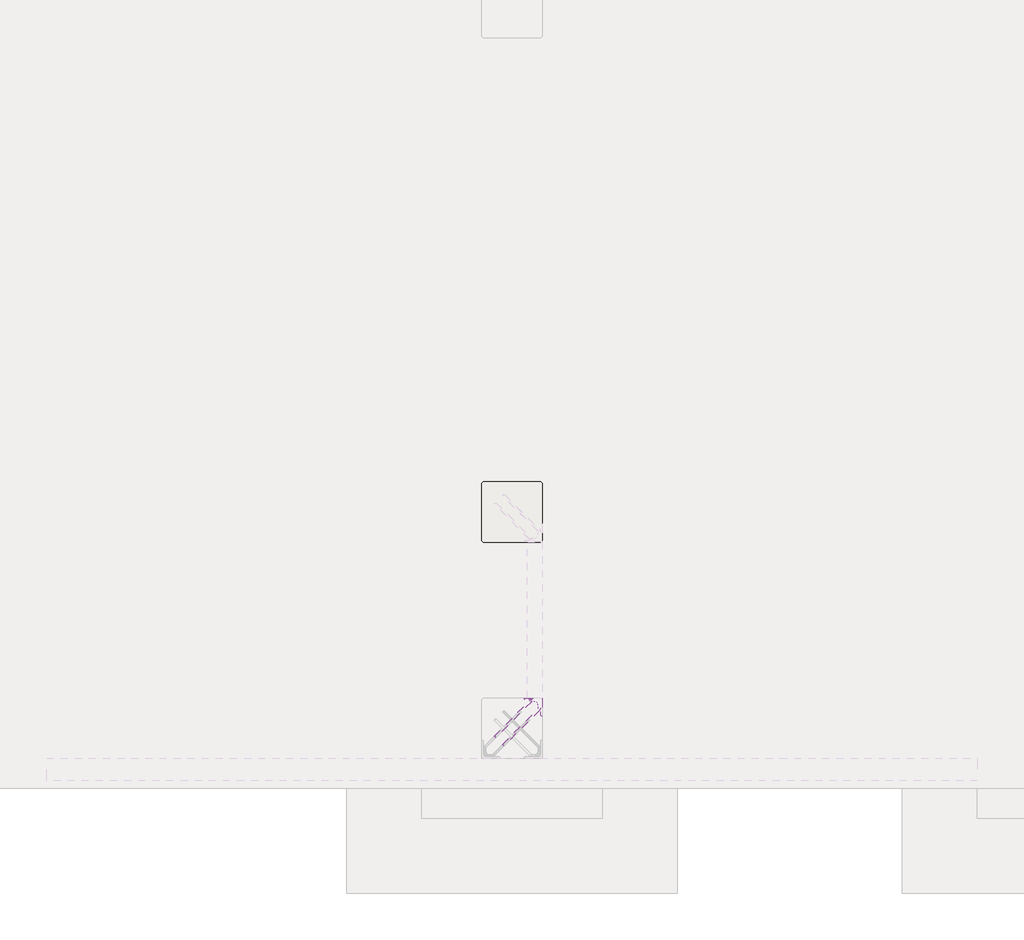
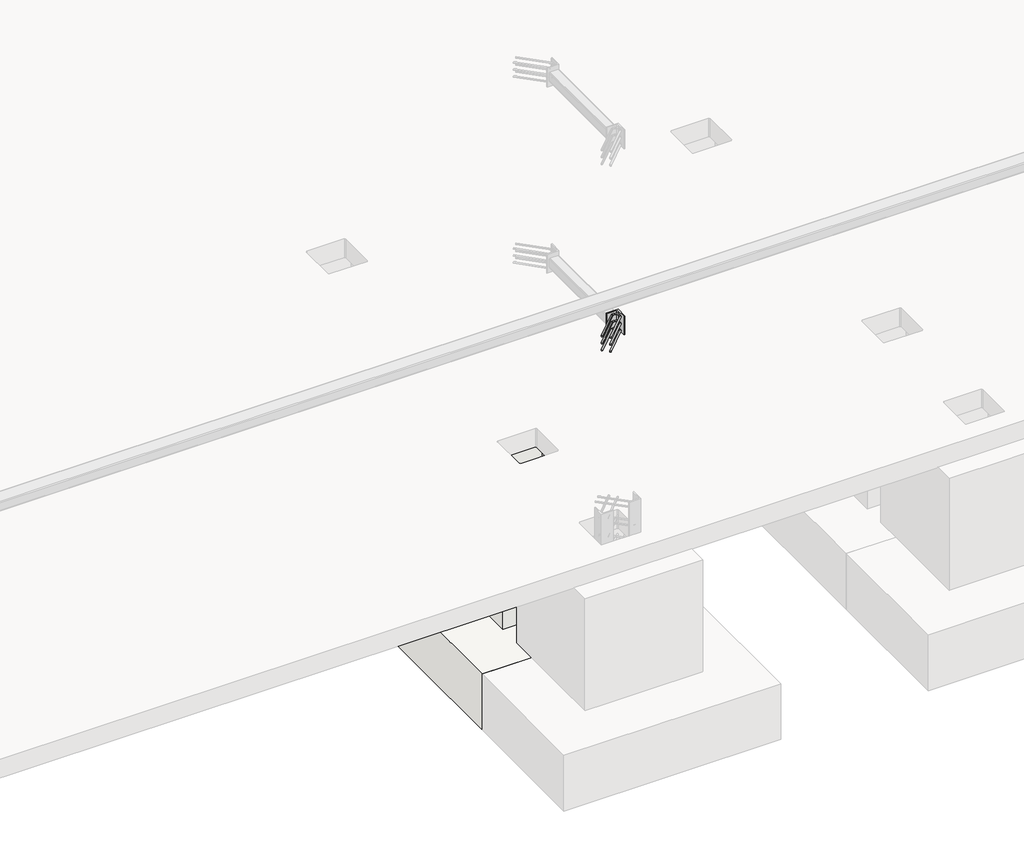
# One storey, part 25 of 65: 1 fastener, 1 slab.
"""IFC4 building model written with IfcOpenShell, lengths in millimetres."""

from ifc_helpers import new_model, si_unit, point, frame, frame_2d, origin, place, context, project, spatial, polyline, circle_curve, ellipse_curve, trimmed, segment, composite_curve, outline, extrude, faceted_brep, element, save
from ifc_brep_helpers import plane_surface, cylinder_surface, revolved_surface, advanced_brep

model = new_model("IFC4")

# Units and contexts
model_context = context("Model", 3, world=origin())
ifc_project = project(units=[si_unit("LENGTHUNIT", "METRE", prefix="MILLI")], contexts=[model_context])

# Site, building, storey
site = spatial("IfcSite", under=ifc_project)
building = spatial("IfcBuilding", under=site)
storey = spatial("IfcBuildingStorey", under=building, Elevation=0.0)

# Fastener
placement = place(None, origin())
element("IfcFastener", 1, at=placement, inside=storey, context=model_context, shape_type="SolidModel", body=[
    extrude(outline(composite_curve([segment(polyline([(53350.0, 10200.0), (53350.0, 10080.0), (53346.5, 10080.0)]), True, "CONTINUOUS"), segment(trimmed(circle_curve(frame_2d((53346.5, 10086.5)), 6.5), [point((53346.5, 10080.0))], [point((53340.0, 10086.5))], False, "CARTESIAN"), True, "CONTINUOUS"), segment(polyline([(53340.0, 10086.5), (53340.0, 10177.0)]), True, "CONTINUOUS"), segment(trimmed(circle_curve(frame_2d((53327.0, 10177.0)), 13.0), [point((53340.0, 10177.0))], [point((53327.0, 10190.0))], True, "CARTESIAN"), True, "CONTINUOUS"), segment(polyline([(53327.0, 10190.0), (53236.5, 10190.0)]), True, "CONTINUOUS"), segment(trimmed(circle_curve(frame_2d((53236.5, 10196.5)), 6.5), [point((53236.5, 10190.0))], [point((53230.0, 10196.5))], False, "CARTESIAN"), True, "CONTINUOUS"), segment(polyline([(53230.0, 10196.5), (53230.0, 10200.0), (53350.0, 10200.0)]), True, "CONTINUOUS")], self_intersect=False)), frame((0.0, 0.0, 1950.0), z_axis=(0.0, 0.0, 1.0), x_axis=(1.0, 0.0, 0.0)), (0.0, 0.0, 1.0), 200.0),
    advanced_brep(
    [(53097.4623741, 9882.5628791, 1975.0), (53087.5628791, 9892.4623741, 1975.0), (53032.5628791, 9947.4623741, 1975.0), (53042.4623741, 9937.5628791, 1975.0), (53303.0, 10176.0, 1975.0), (53303.0, 10190.0, 1975.0), (53284.2132034, 10190.0, 1975.0), (53284.2132034, 10176.0, 1975.0), (53326.0, 10153.0, 1975.0), (53340.0, 10153.0, 1975.0), (53326.0, 10134.2132034, 1975.0), (53340.0, 10134.2132034, 1975.0), (53333.5563492, 10118.6568542, 1975.0), (53323.6568543, 10128.5563492, 1975.0), (53278.5563492, 10173.6568542, 1975.0), (53268.6568543, 10183.5563492, 1975.0)],
    [
        (0, 1, circle_curve(frame((53092.5126266, 9887.5126266, 1975.0), z_axis=(-0.7071067811865505, -0.7071067811865446, 0.0), x_axis=(-0.7071067811865447, 0.7071067811865506, 0.0)), 7.0)),
        (1, 0, circle_curve(frame((53092.5126266, 9887.5126266, 1975.0), z_axis=(-0.7071067811865505, -0.7071067811865446, 0.0), x_axis=(-0.7071067811865447, 0.7071067811865506, 0.0)), 7.0)),
        (2, 3, circle_curve(frame((53037.5126266, 9942.5126266, 1975.0), z_axis=(-0.7071067811865503, -0.7071067811865447, 0.0), x_axis=(0.7071067811865447, -0.7071067811865503, 0.0)), 7.0)),
        (3, 2, circle_curve(frame((53037.5126266, 9942.5126266, 1975.0), z_axis=(-0.7071067811865503, -0.7071067811865447, 0.0), x_axis=(0.7071067811865447, -0.7071067811865503, 0.0)), 7.0)),
        (4, 5, circle_curve(frame((53303.0, 10183.0, 1975.0), z_axis=(-1.0, 0.0, 0.0), x_axis=(0.0, -1.0, 0.0)), 7.0)),
        (5, 6),
        (6, 7, circle_curve(frame((53284.2132034, 10183.0, 1975.0), z_axis=(1.0, 0.0, 0.0), x_axis=(0.0, -1.0, 0.0)), 7.0)),
        (7, 4),
        (5, 4, circle_curve(frame((53303.0, 10183.0, 1975.0), z_axis=(-1.0, 0.0, 0.0), x_axis=(0.0, -1.0, 0.0)), 7.0)),
        (7, 6, circle_curve(frame((53284.2132034, 10183.0, 1975.0), z_axis=(1.0, 0.0, 0.0), x_axis=(0.0, -1.0, 0.0)), 7.0)),
        (4, 8, circle_curve(frame((53303.0, 10153.0, 1975.0), z_axis=(0.0, 0.0, -1.0), x_axis=(1.0, 0.0, 0.0)), 23.0)),
        (8, 9, circle_curve(frame((53333.0, 10153.0, 1975.0), z_axis=(0.0, 1.0, 0.0), x_axis=(-1.0, 0.0, 0.0)), 7.0)),
        (9, 5, circle_curve(frame((53303.0, 10153.0, 1975.0), z_axis=(0.0, 0.0, 1.0), x_axis=(1.0, 0.0, 0.0)), 37.0)),
        (9, 8, circle_curve(frame((53333.0, 10153.0, 1975.0), z_axis=(0.0, 1.0, 0.0), x_axis=(-1.0, 0.0, 0.0)), 7.0)),
        (10, 11, circle_curve(frame((53333.0, 10134.2132034, 1975.0), z_axis=(0.0, 1.0, 0.0), x_axis=(-1.0, 0.0, 0.0)), 7.0)),
        (11, 9),
        (8, 10),
        (11, 10, circle_curve(frame((53333.0, 10134.2132034, 1975.0), z_axis=(0.0, 1.0, 0.0), x_axis=(-1.0, 0.0, 0.0)), 7.0)),
        (0, 12),
        (12, 13, circle_curve(frame((53328.6066017, 10123.6066017, 1975.0), z_axis=(-0.7071067811865505, -0.7071067811865446, 0.0), x_axis=(-0.7071067811865447, 0.7071067811865506, 0.0)), 7.0)),
        (13, 1),
        (13, 12, circle_curve(frame((53328.6066017, 10123.6066017, 1975.0), z_axis=(-0.7071067811865505, -0.7071067811865446, 0.0), x_axis=(-0.7071067811865447, 0.7071067811865506, 0.0)), 7.0)),
        (10, 13, circle_curve(frame((53318.0, 10134.2132034, 1975.0), z_axis=(0.0, 0.0, -1.0), x_axis=(0.7071067811865445, -0.7071067811865506, 0.0)), 8.0)),
        (12, 11, circle_curve(frame((53318.0, 10134.2132034, 1975.0), z_axis=(0.0, 0.0, 1.0), x_axis=(0.7071067811865445, -0.7071067811865506, 0.0)), 22.0)),
        (14, 7, circle_curve(frame((53284.2132034, 10168.0, 1975.0), z_axis=(0.0, 0.0, -1.0), x_axis=(0.0, 1.0, 0.0)), 8.0)),
        (6, 15, circle_curve(frame((53284.2132034, 10168.0, 1975.0), z_axis=(0.0, 0.0, 1.0), x_axis=(0.0, 1.0, 0.0)), 22.0)),
        (15, 14, circle_curve(frame((53273.6066017, 10178.6066017, 1975.0), z_axis=(0.7071067811865501, 0.7071067811865449, 0.0), x_axis=(0.7071067811865449, -0.7071067811865501, 0.0)), 7.0)),
        (14, 15, circle_curve(frame((53273.6066017, 10178.6066017, 1975.0), z_axis=(0.7071067811865496, 0.7071067811865455, 0.0), x_axis=(0.7071067811865455, -0.7071067811865496, 0.0)), 7.0)),
        (15, 2),
        (3, 14),
    ],
    [
        plane_surface(frame((53092.5126266, 9887.5126266, 1975.0), z_axis=(-0.7071067811865505, -0.7071067811865446, 0.0), x_axis=(0.0, 0.0, 1.0))),
        plane_surface(frame((53037.5126266, 9942.5126266, 1975.0), z_axis=(-0.7071067811865503, -0.7071067811865447, 0.0), x_axis=(0.0, 0.0, 1.0))),
        cylinder_surface(frame((53303.0, 10183.0, 1975.0), z_axis=(1.0, 0.0, 0.0), x_axis=(0.0, -1.0, 0.0)), 7.0),
        revolved_surface(trimmed(ellipse_curve(frame((53333.0, 10153.0, 1975.0), z_axis=(0.0, -1.0, 0.0), x_axis=(-1.0, 0.0, 0.0)), 7.0, 7.0), [point((53340.0, 10153.0, 1975.0))], [point((53326.0, 10153.0, 1975.0))], True, "CARTESIAN"), (53303.0, 10153.0, 1975.0), (0.0, 0.0, 1.0)),
        revolved_surface(trimmed(ellipse_curve(frame((53333.0, 10153.0, 1975.0), z_axis=(0.0, -1.0, 0.0), x_axis=(-1.0, 0.0, 0.0)), 7.0, 7.0), [point((53326.0, 10153.0, 1975.0))], [point((53340.0, 10153.0, 1975.0))], True, "CARTESIAN"), (53303.0, 10153.0, 1975.0), (0.0, 0.0, 1.0)),
        cylinder_surface(frame((53333.0, 10134.2132034, 1975.0), z_axis=(0.0, -1.0, 0.0), x_axis=(-1.0, 0.0, 0.0)), 7.0),
        cylinder_surface(frame((53092.5126266, 9887.5126266, 1975.0), z_axis=(-0.7071067811865506, -0.7071067811865447, 0.0), x_axis=(-0.7071067811865447, 0.7071067811865506, 0.0)), 7.0),
        revolved_surface(trimmed(ellipse_curve(frame((53328.6066017, 10123.6066017, 1975.0), z_axis=(-0.7071067811865506, -0.7071067811865445, 0.0), x_axis=(-0.7071067811865445, 0.7071067811865506, 0.0)), 7.0, 7.0), [point((53333.5563492, 10118.6568542, 1975.0))], [point((53323.6568543, 10128.5563492, 1975.0))], True, "CARTESIAN"), (53318.0, 10134.2132034, 1975.0), (0.0, 0.0, 1.0)),
        revolved_surface(trimmed(ellipse_curve(frame((53328.6066017, 10123.6066017, 1975.0), z_axis=(-0.7071067811865506, -0.7071067811865445, 0.0), x_axis=(-0.7071067811865445, 0.7071067811865506, 0.0)), 7.0, 7.0), [point((53323.6568543, 10128.5563492, 1975.0))], [point((53333.5563492, 10118.6568542, 1975.0))], True, "CARTESIAN"), (53318.0, 10134.2132034, 1975.0), (0.0, 0.0, 1.0)),
        revolved_surface(trimmed(ellipse_curve(frame((53284.2132034, 10183.0, 1975.0), z_axis=(1.0, 0.0, 0.0), x_axis=(0.0, -1.0, 0.0)), 7.0, 7.0), [point((53284.2132034, 10190.0, 1975.0))], [point((53284.2132034, 10176.0, 1975.0))], True, "CARTESIAN"), (53284.2132034, 10168.0, 1975.0), (0.0, 0.0, 1.0)),
        revolved_surface(trimmed(ellipse_curve(frame((53284.2132034, 10183.0, 1975.0), z_axis=(1.0, 0.0, 0.0), x_axis=(0.0, -1.0, 0.0)), 7.0, 7.0), [point((53284.2132034, 10176.0, 1975.0))], [point((53284.2132034, 10190.0, 1975.0))], True, "CARTESIAN"), (53284.2132034, 10168.0, 1975.0), (0.0, 0.0, 1.0)),
        cylinder_surface(frame((53273.6066017, 10178.6066017, 1975.0), z_axis=(0.7071067811865503, 0.7071067811865447, 0.0), x_axis=(0.7071067811865447, -0.7071067811865503, 0.0)), 7.0),
    ],
    [
        (0, [[1, 2]]),
        (1, [[3, 4]]),
        (2, [[5, 6, 7, 8]]),
        (2, [[9, -8, 10, -6]]),
        (3, [[11, 12, 13, -5]]),
        (4, [[-13, 14, -11, -9]]),
        (5, [[15, 16, -12, 17]]),
        (5, [[18, -17, -14, -16]]),
        (6, [[-1, 19, 20, 21]]),
        (6, [[-2, -21, 22, -19]]),
        (7, [[23, -20, 24, -15]]),
        (8, [[-24, -22, -23, -18]]),
        (9, [[25, -7, 26, 27]]),
        (10, [[-26, -10, -25, 28]]),
        (11, [[-27, 29, -4, 30]]),
        (11, [[-28, -30, -3, -29]]),
    ],
),
    advanced_brep(
    [(53087.5628791, 9892.4623741, 2125.0), (53097.4623741, 9882.5628791, 2125.0), (53042.4623741, 9937.5628791, 2125.0), (53032.5628791, 9947.4623741, 2125.0), (53303.0, 10190.0, 2125.0), (53303.0, 10176.0, 2125.0), (53284.2132034, 10176.0, 2125.0), (53284.2132034, 10190.0, 2125.0), (53340.0, 10153.0, 2125.0), (53326.0, 10153.0, 2125.0), (53340.0, 10134.2132034, 2125.0), (53326.0, 10134.2132034, 2125.0), (53323.6568543, 10128.5563492, 2125.0), (53333.5563492, 10118.6568542, 2125.0), (53268.6568543, 10183.5563492, 2125.0), (53278.5563492, 10173.6568542, 2125.0)],
    [
        (0, 1, circle_curve(frame((53092.5126266, 9887.5126266, 2125.0), z_axis=(-0.7071067811865505, -0.7071067811865446, 0.0), x_axis=(0.7071067811865447, -0.7071067811865506, 0.0)), 7.0)),
        (1, 0, circle_curve(frame((53092.5126266, 9887.5126266, 2125.0), z_axis=(-0.7071067811865505, -0.7071067811865446, 0.0), x_axis=(0.7071067811865447, -0.7071067811865506, 0.0)), 7.0)),
        (2, 3, circle_curve(frame((53037.5126266, 9942.5126266, 2125.0), z_axis=(-0.7071067811865505, -0.7071067811865447, 0.0), x_axis=(-0.7071067811865447, 0.7071067811865505, 0.0)), 7.0)),
        (3, 2, circle_curve(frame((53037.5126266, 9942.5126266, 2125.0), z_axis=(-0.7071067811865505, -0.7071067811865447, 0.0), x_axis=(-0.7071067811865447, 0.7071067811865505, 0.0)), 7.0)),
        (4, 5, circle_curve(frame((53303.0, 10183.0, 2125.0), z_axis=(-1.0, 0.0, 0.0), x_axis=(0.0, 1.0, 0.0)), 7.0)),
        (5, 6),
        (6, 7, circle_curve(frame((53284.2132034, 10183.0, 2125.0), z_axis=(1.0, 0.0, 0.0), x_axis=(0.0, 1.0, 0.0)), 7.0)),
        (7, 4),
        (5, 4, circle_curve(frame((53303.0, 10183.0, 2125.0), z_axis=(-1.0, 0.0, 0.0), x_axis=(0.0, 1.0, 0.0)), 7.0)),
        (7, 6, circle_curve(frame((53284.2132034, 10183.0, 2125.0), z_axis=(1.0, 0.0, 0.0), x_axis=(0.0, 1.0, 0.0)), 7.0)),
        (4, 8, circle_curve(frame((53303.0, 10153.0, 2125.0), z_axis=(0.0, 0.0, -1.0), x_axis=(1.0, 0.0, 0.0)), 37.0)),
        (8, 9, circle_curve(frame((53333.0, 10153.0, 2125.0), z_axis=(0.0, 1.0, 0.0), x_axis=(1.0, 0.0, 0.0)), 7.0)),
        (9, 5, circle_curve(frame((53303.0, 10153.0, 2125.0), z_axis=(0.0, 0.0, 1.0), x_axis=(1.0, 0.0, 0.0)), 23.0)),
        (9, 8, circle_curve(frame((53333.0, 10153.0, 2125.0), z_axis=(0.0, 1.0, 0.0), x_axis=(1.0, 0.0, 0.0)), 7.0)),
        (10, 11, circle_curve(frame((53333.0, 10134.2132034, 2125.0), z_axis=(0.0, 1.0, 0.0), x_axis=(1.0, 0.0, 0.0)), 7.0)),
        (11, 9),
        (8, 10),
        (11, 10, circle_curve(frame((53333.0, 10134.2132034, 2125.0), z_axis=(0.0, 1.0, 0.0), x_axis=(1.0, 0.0, 0.0)), 7.0)),
        (0, 12),
        (12, 13, circle_curve(frame((53328.6066017, 10123.6066017, 2125.0), z_axis=(-0.7071067811865505, -0.7071067811865446, 0.0), x_axis=(0.7071067811865447, -0.7071067811865506, 0.0)), 7.0)),
        (13, 1),
        (13, 12, circle_curve(frame((53328.6066017, 10123.6066017, 2125.0), z_axis=(-0.7071067811865505, -0.7071067811865446, 0.0), x_axis=(0.7071067811865447, -0.7071067811865506, 0.0)), 7.0)),
        (10, 13, circle_curve(frame((53318.0, 10134.2132034, 2125.0), z_axis=(0.0, 0.0, -1.0), x_axis=(0.7071067811865445, -0.7071067811865506, 0.0)), 22.0)),
        (12, 11, circle_curve(frame((53318.0, 10134.2132034, 2125.0), z_axis=(0.0, 0.0, 1.0), x_axis=(0.7071067811865445, -0.7071067811865506, 0.0)), 8.0)),
        (14, 7, circle_curve(frame((53284.2132034, 10168.0, 2125.0), z_axis=(0.0, 0.0, -1.0), x_axis=(0.0, 1.0, 0.0)), 22.0)),
        (6, 15, circle_curve(frame((53284.2132034, 10168.0, 2125.0), z_axis=(0.0, 0.0, 1.0), x_axis=(0.0, 1.0, 0.0)), 8.0)),
        (15, 14, circle_curve(frame((53273.6066017, 10178.6066017, 2125.0), z_axis=(0.7071067811865488, 0.7071067811865462, 0.0), x_axis=(-0.7071067811865462, 0.7071067811865488, 0.0)), 7.0)),
        (14, 15, circle_curve(frame((53273.6066017, 10178.6066017, 2125.0), z_axis=(0.7071067811865496, 0.7071067811865455, 0.0), x_axis=(-0.7071067811865455, 0.7071067811865496, 0.0)), 7.0)),
        (15, 2),
        (3, 14),
    ],
    [
        plane_surface(frame((53092.5126266, 9887.5126266, 2125.0), z_axis=(-0.7071067811865505, -0.7071067811865446, 0.0), x_axis=(0.0, 0.0, -1.0))),
        plane_surface(frame((53037.5126266, 9942.5126266, 2125.0), z_axis=(-0.7071067811865505, -0.7071067811865447, 0.0), x_axis=(0.0, 0.0, -1.0))),
        cylinder_surface(frame((53303.0, 10183.0, 2125.0), z_axis=(1.0, 0.0, 0.0), x_axis=(0.0, 1.0, 0.0)), 7.0),
        revolved_surface(trimmed(ellipse_curve(frame((53333.0, 10153.0, 2125.0), z_axis=(0.0, -1.0, 0.0), x_axis=(1.0, 0.0, 0.0)), 7.0, 7.0), [point((53326.0, 10153.0, 2125.0))], [point((53340.0, 10153.0, 2125.0))], True, "CARTESIAN"), (53303.0, 10153.0, 2125.0), (0.0, 0.0, 1.0)),
        revolved_surface(trimmed(ellipse_curve(frame((53333.0, 10153.0, 2125.0), z_axis=(0.0, -1.0, 0.0), x_axis=(1.0, 0.0, 0.0)), 7.0, 7.0), [point((53340.0, 10153.0, 2125.0))], [point((53326.0, 10153.0, 2125.0))], True, "CARTESIAN"), (53303.0, 10153.0, 2125.0), (0.0, 0.0, 1.0)),
        cylinder_surface(frame((53333.0, 10134.2132034, 2125.0), z_axis=(0.0, -1.0, 0.0), x_axis=(1.0, 0.0, 0.0)), 7.0),
        cylinder_surface(frame((53092.5126266, 9887.5126266, 2125.0), z_axis=(-0.7071067811865506, -0.7071067811865447, 0.0), x_axis=(0.7071067811865447, -0.7071067811865506, 0.0)), 7.0),
        revolved_surface(trimmed(ellipse_curve(frame((53328.6066017, 10123.6066017, 2125.0), z_axis=(-0.7071067811865506, -0.7071067811865445, 0.0), x_axis=(0.7071067811865445, -0.7071067811865506, 0.0)), 7.0, 7.0), [point((53323.6568543, 10128.5563492, 2125.0))], [point((53333.5563492, 10118.6568542, 2125.0))], True, "CARTESIAN"), (53318.0, 10134.2132034, 2125.0), (0.0, 0.0, 1.0)),
        revolved_surface(trimmed(ellipse_curve(frame((53328.6066017, 10123.6066017, 2125.0), z_axis=(-0.7071067811865506, -0.7071067811865445, 0.0), x_axis=(0.7071067811865445, -0.7071067811865506, 0.0)), 7.0, 7.0), [point((53333.5563492, 10118.6568542, 2125.0))], [point((53323.6568543, 10128.5563492, 2125.0))], True, "CARTESIAN"), (53318.0, 10134.2132034, 2125.0), (0.0, 0.0, 1.0)),
        revolved_surface(trimmed(ellipse_curve(frame((53284.2132034, 10183.0, 2125.0), z_axis=(1.0, 0.0, 0.0), x_axis=(0.0, 1.0, 0.0)), 7.0, 7.0), [point((53284.2132034, 10176.0, 2125.0))], [point((53284.2132034, 10190.0, 2125.0))], True, "CARTESIAN"), (53284.2132034, 10168.0, 2125.0), (0.0, 0.0, 1.0)),
        revolved_surface(trimmed(ellipse_curve(frame((53284.2132034, 10183.0, 2125.0), z_axis=(1.0, 0.0, 0.0), x_axis=(0.0, 1.0, 0.0)), 7.0, 7.0), [point((53284.2132034, 10190.0, 2125.0))], [point((53284.2132034, 10176.0, 2125.0))], True, "CARTESIAN"), (53284.2132034, 10168.0, 2125.0), (0.0, 0.0, 1.0)),
        cylinder_surface(frame((53273.6066017, 10178.6066017, 2125.0), z_axis=(0.7071067811865505, 0.7071067811865447, 0.0), x_axis=(-0.7071067811865447, 0.7071067811865505, 0.0)), 7.0),
    ],
    [
        (0, [[1, 2]]),
        (1, [[3, 4]]),
        (2, [[5, 6, 7, 8]]),
        (2, [[9, -8, 10, -6]]),
        (3, [[11, 12, 13, -5]]),
        (4, [[-13, 14, -11, -9]]),
        (5, [[15, 16, -12, 17]]),
        (5, [[18, -17, -14, -16]]),
        (6, [[-1, 19, 20, 21]]),
        (6, [[-2, -21, 22, -19]]),
        (7, [[23, -20, 24, -15]]),
        (8, [[-24, -22, -23, -18]]),
        (9, [[25, -7, 26, 27]]),
        (10, [[-26, -10, -25, 28]]),
        (11, [[-27, 29, -4, 30]]),
        (11, [[-28, -30, -3, -29]]),
    ],
),
    advanced_brep(
    [(53087.5628791, 9892.4623741, 2050.0), (53097.4623741, 9882.5628791, 2050.0), (53042.4623741, 9937.5628791, 2050.0), (53032.5628791, 9947.4623741, 2050.0), (53303.0, 10190.0, 2050.0), (53303.0, 10176.0, 2050.0), (53284.2132034, 10176.0, 2050.0), (53284.2132034, 10190.0, 2050.0), (53340.0, 10153.0, 2050.0), (53326.0, 10153.0, 2050.0), (53340.0, 10134.2132034, 2050.0), (53326.0, 10134.2132034, 2050.0), (53323.6568543, 10128.5563492, 2050.0), (53333.5563492, 10118.6568542, 2050.0), (53268.6568543, 10183.5563492, 2050.0), (53278.5563492, 10173.6568542, 2050.0)],
    [
        (0, 1, circle_curve(frame((53092.5126266, 9887.5126266, 2050.0), z_axis=(-0.7071067811865505, -0.7071067811865446, 0.0), x_axis=(0.7071067811865446, -0.7071067811865505, 0.0)), 7.0)),
        (1, 0, circle_curve(frame((53092.5126266, 9887.5126266, 2050.0), z_axis=(-0.7071067811865505, -0.7071067811865446, 0.0), x_axis=(0.7071067811865446, -0.7071067811865505, 0.0)), 7.0)),
        (2, 3, circle_curve(frame((53037.5126266, 9942.5126266, 2050.0), z_axis=(-0.7071067811865505, -0.7071067811865447, 0.0), x_axis=(-0.7071067811865447, 0.7071067811865505, 0.0)), 7.0)),
        (3, 2, circle_curve(frame((53037.5126266, 9942.5126266, 2050.0), z_axis=(-0.7071067811865505, -0.7071067811865447, 0.0), x_axis=(-0.7071067811865447, 0.7071067811865505, 0.0)), 7.0)),
        (4, 5, circle_curve(frame((53303.0, 10183.0, 2050.0), z_axis=(-1.0, 0.0, 0.0), x_axis=(0.0, 1.0, 0.0)), 7.0)),
        (5, 6),
        (6, 7, circle_curve(frame((53284.2132034, 10183.0, 2050.0), z_axis=(1.0, 0.0, 0.0), x_axis=(0.0, 1.0, 0.0)), 7.0)),
        (7, 4),
        (5, 4, circle_curve(frame((53303.0, 10183.0, 2050.0), z_axis=(-1.0, 0.0, 0.0), x_axis=(0.0, 1.0, 0.0)), 7.0)),
        (7, 6, circle_curve(frame((53284.2132034, 10183.0, 2050.0), z_axis=(1.0, 0.0, 0.0), x_axis=(0.0, 1.0, 0.0)), 7.0)),
        (4, 8, circle_curve(frame((53303.0, 10153.0, 2050.0), z_axis=(0.0, 0.0, -1.0), x_axis=(1.0, 0.0, 0.0)), 37.0)),
        (8, 9, circle_curve(frame((53333.0, 10153.0, 2050.0), z_axis=(0.0, 1.0, 0.0), x_axis=(1.0, 0.0, 0.0)), 7.0)),
        (9, 5, circle_curve(frame((53303.0, 10153.0, 2050.0), z_axis=(0.0, 0.0, 1.0), x_axis=(1.0, 0.0, 0.0)), 23.0)),
        (9, 8, circle_curve(frame((53333.0, 10153.0, 2050.0), z_axis=(0.0, 1.0, 0.0), x_axis=(1.0, 0.0, 0.0)), 7.0)),
        (10, 11, circle_curve(frame((53333.0, 10134.2132034, 2050.0), z_axis=(0.0, 1.0, 0.0), x_axis=(1.0, 0.0, 0.0)), 7.0)),
        (11, 9),
        (8, 10),
        (11, 10, circle_curve(frame((53333.0, 10134.2132034, 2050.0), z_axis=(0.0, 1.0, 0.0), x_axis=(1.0, 0.0, 0.0)), 7.0)),
        (0, 12),
        (12, 13, circle_curve(frame((53328.6066017, 10123.6066017, 2050.0), z_axis=(-0.7071067811865505, -0.7071067811865446, 0.0), x_axis=(0.7071067811865446, -0.7071067811865505, 0.0)), 7.0)),
        (13, 1),
        (13, 12, circle_curve(frame((53328.6066017, 10123.6066017, 2050.0), z_axis=(-0.7071067811865505, -0.7071067811865446, 0.0), x_axis=(0.7071067811865446, -0.7071067811865505, 0.0)), 7.0)),
        (10, 13, circle_curve(frame((53318.0, 10134.2132034, 2050.0), z_axis=(0.0, 0.0, -1.0), x_axis=(0.7071067811865445, -0.7071067811865506, 0.0)), 22.0)),
        (12, 11, circle_curve(frame((53318.0, 10134.2132034, 2050.0), z_axis=(0.0, 0.0, 1.0), x_axis=(0.7071067811865445, -0.7071067811865506, 0.0)), 8.0)),
        (14, 7, circle_curve(frame((53284.2132034, 10168.0, 2050.0), z_axis=(0.0, 0.0, -1.0), x_axis=(0.0, 1.0, 0.0)), 22.0)),
        (6, 15, circle_curve(frame((53284.2132034, 10168.0, 2050.0), z_axis=(0.0, 0.0, 1.0), x_axis=(0.0, 1.0, 0.0)), 8.0)),
        (15, 14, circle_curve(frame((53273.6066017, 10178.6066017, 2050.0), z_axis=(0.7071067811865502, 0.7071067811865448, 0.0), x_axis=(-0.7071067811865448, 0.7071067811865502, 0.0)), 7.0)),
        (14, 15, circle_curve(frame((53273.6066017, 10178.6066017, 2050.0), z_axis=(0.7071067811865501, 0.7071067811865449, 0.0), x_axis=(-0.7071067811865449, 0.7071067811865501, 0.0)), 7.0)),
        (15, 2),
        (3, 14),
    ],
    [
        plane_surface(frame((53092.5126266, 9887.5126266, 2050.0), z_axis=(-0.7071067811865505, -0.7071067811865446, 0.0), x_axis=(0.0, 0.0, -1.0))),
        plane_surface(frame((53037.5126266, 9942.5126266, 2050.0), z_axis=(-0.7071067811865503, -0.7071067811865448, 0.0), x_axis=(0.0, 0.0, -1.0))),
        cylinder_surface(frame((53303.0, 10183.0, 2050.0), z_axis=(1.0, 0.0, 0.0), x_axis=(0.0, 1.0, 0.0)), 7.0),
        revolved_surface(trimmed(ellipse_curve(frame((53333.0, 10153.0, 2050.0), z_axis=(0.0, -1.0, 0.0), x_axis=(1.0, 0.0, 0.0)), 7.0, 7.0), [point((53326.0, 10153.0, 2050.0))], [point((53340.0, 10153.0, 2050.0))], True, "CARTESIAN"), (53303.0, 10153.0, 2050.0), (0.0, 0.0, 1.0)),
        revolved_surface(trimmed(ellipse_curve(frame((53333.0, 10153.0, 2050.0), z_axis=(0.0, -1.0, 0.0), x_axis=(1.0, 0.0, 0.0)), 7.0, 7.0), [point((53340.0, 10153.0, 2050.0))], [point((53326.0, 10153.0, 2050.0))], True, "CARTESIAN"), (53303.0, 10153.0, 2050.0), (0.0, 0.0, 1.0)),
        cylinder_surface(frame((53333.0, 10134.2132034, 2050.0), z_axis=(0.0, -1.0, 0.0), x_axis=(1.0, 0.0, 0.0)), 7.0),
        cylinder_surface(frame((53092.5126266, 9887.5126266, 2050.0), z_axis=(-0.7071067811865505, -0.7071067811865446, 0.0), x_axis=(0.7071067811865446, -0.7071067811865505, 0.0)), 7.0),
        revolved_surface(trimmed(ellipse_curve(frame((53328.6066017, 10123.6066017, 2050.0), z_axis=(-0.7071067811865507, -0.7071067811865444, 0.0), x_axis=(0.7071067811865444, -0.7071067811865507, 0.0)), 7.0, 7.0), [point((53323.6568543, 10128.5563492, 2050.0))], [point((53333.5563492, 10118.6568542, 2050.0))], True, "CARTESIAN"), (53318.0, 10134.2132034, 2050.0), (0.0, 0.0, 1.0)),
        revolved_surface(trimmed(ellipse_curve(frame((53328.6066017, 10123.6066017, 2050.0), z_axis=(-0.7071067811865507, -0.7071067811865444, 0.0), x_axis=(0.7071067811865444, -0.7071067811865507, 0.0)), 7.0, 7.0), [point((53333.5563492, 10118.6568542, 2050.0))], [point((53323.6568543, 10128.5563492, 2050.0))], True, "CARTESIAN"), (53318.0, 10134.2132034, 2050.0), (0.0, 0.0, 1.0)),
        revolved_surface(trimmed(ellipse_curve(frame((53284.2132034, 10183.0, 2050.0), z_axis=(1.0, 0.0, 0.0), x_axis=(0.0, 1.0, 0.0)), 7.0, 7.0), [point((53284.2132034, 10176.0, 2050.0))], [point((53284.2132034, 10190.0, 2050.0))], True, "CARTESIAN"), (53284.2132034, 10168.0, 2050.0), (0.0, 0.0, 1.0)),
        revolved_surface(trimmed(ellipse_curve(frame((53284.2132034, 10183.0, 2050.0), z_axis=(1.0, 0.0, 0.0), x_axis=(0.0, 1.0, 0.0)), 7.0, 7.0), [point((53284.2132034, 10190.0, 2050.0))], [point((53284.2132034, 10176.0, 2050.0))], True, "CARTESIAN"), (53284.2132034, 10168.0, 2050.0), (0.0, 0.0, 1.0)),
        cylinder_surface(frame((53273.6066017, 10178.6066017, 2050.0), z_axis=(0.7071067811865505, 0.7071067811865447, 0.0), x_axis=(-0.7071067811865447, 0.7071067811865505, 0.0)), 7.0),
    ],
    [
        (0, [[1, 2]]),
        (1, [[3, 4]]),
        (2, [[5, 6, 7, 8]]),
        (2, [[9, -8, 10, -6]]),
        (3, [[11, 12, 13, -5]]),
        (4, [[-13, 14, -11, -9]]),
        (5, [[15, 16, -12, 17]]),
        (5, [[18, -17, -14, -16]]),
        (6, [[-1, 19, 20, 21]]),
        (6, [[-2, -21, 22, -19]]),
        (7, [[23, -20, 24, -15]]),
        (8, [[-24, -22, -23, -18]]),
        (9, [[25, -7, 26, 27]]),
        (10, [[-26, -10, -25, 28]]),
        (11, [[-27, 29, -4, 30]]),
        (11, [[-28, -30, -3, -29]]),
    ],
),
])

# Slab
element("IfcSlab", 2, ObjectType="F2.2x2.2x0.6m P1.2x1.2x1.2m", at=placement, inside=storey, context=model_context, shape_type="Brep", body=[
    faceted_brep([(52050.0, 10340.0, -2000.0), (54250.0, 10340.0, -2000.0), (54250.0, 10340.0, -1400.0), (53750.0, 10340.0, -1400.0), (52550.0, 10340.0, -1400.0), (52050.0, 10340.0, -1400.0), (52050.0, 12540.0, -1400.0), (54250.0, 12540.0, -1400.0), (52550.0, 12040.0, -1400.0), (53750.0, 12040.0, -1400.0), (53750.0, 10840.0, -1400.0), (52550.0, 10840.0, -1400.0), (52550.0, 12040.0, -200.0), (53750.0, 12040.0, -200.0), (52875.0, 11715.0, -1400.0), (52875.0, 11165.0, -1400.0), (53425.0, 11165.0, -1400.0), (53425.0, 11715.0, -1400.0), (52550.0, 10840.0, -200.0), (53750.0, 10840.0, -200.0), (52800.0, 11090.0, -200.0), (52800.0, 11790.0, -200.0), (53500.0, 11790.0, -200.0), (53500.0, 11090.0, -200.0), (52050.0, 12540.0, -2000.0), (54250.0, 12540.0, -2000.0)], [[[0, 1, 2, 3, 4, 5]], [[6, 5, 4, 3, 2, 7], [8, 9, 10, 11]], [[9, 8, 12, 13]], [[14, 15, 16, 17]], [[13, 12, 18, 19], [20, 21, 22, 23]], [[24, 25, 1, 0]], [[24, 0, 5, 6]], [[1, 25, 7, 2]], [[25, 24, 6, 7]], [[10, 9, 13, 19]], [[11, 10, 19, 18]], [[8, 11, 18, 12]], [[15, 14, 21, 20]], [[16, 15, 20, 23]], [[17, 16, 23, 22]], [[14, 17, 22, 21]]]),
])

save(model, "model.ifc")
